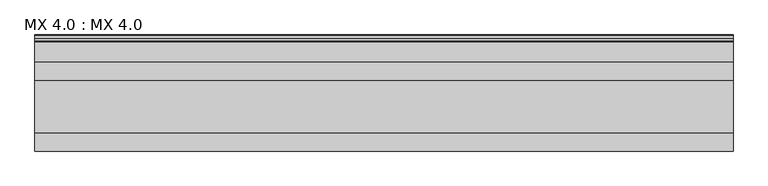
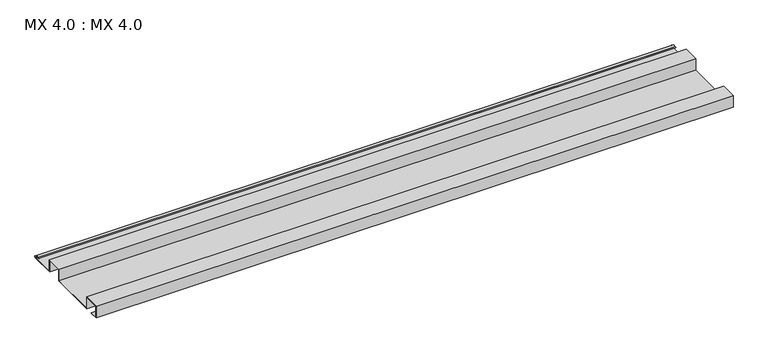
"""IFC4 building model written with IfcOpenShell, lengths in millimetres: proxy geometry, MX 4.0 : MX 4.0."""

from ifc_helpers import new_model, si_unit, point, frame, frame_2d, origin, place, context, project, spatial, polyline, circle_curve, trimmed, segment, composite_curve, outline, extrude, source, transform, mapped, element, save


def mx_4_0_mx_4_0_b8d2e00d(model_context):
    return source(origin(), model_context, "Body", "SweptSolid", [
        extrude(outline(composite_curve([segment(polyline([(0.0, 0.0), (0.0, 38.0), (50.0, 38.0), (50.0, 0.0), (200.0, 0.0), (200.0, 38.0), (250.0, 38.0), (250.0, 0.0), (325.0510156, 0.0)]), True, "CONTINUOUS"), segment(trimmed(circle_curve(frame_2d((324.3094696, 1.9153551)), 2.0538928), [point((325.0510156, 0.0))], [point((325.1748462, 3.778041))], True, "CARTESIAN"), True, "CONTINUOUS"), segment(polyline([(325.1748462, 3.778041), (308.7874714, 6.923107)]), True, "CONTINUOUS"), segment(trimmed(circle_curve(frame_2d((309.4078886, 8.6005442)), 1.7884947), [point((308.7874714, 6.923107))], [point((308.9525789, 10.3301125))], False, "CARTESIAN"), True, "CONTINUOUS"), segment(polyline([(308.9525789, 10.3301125), (316.459338, 11.6715995), (316.635255, 10.6871945), (309.1762081, 9.3542338)]), True, "CONTINUOUS"), segment(trimmed(circle_curve(frame_2d((309.4078886, 8.6005442)), 0.7884947), [point((309.1762081, 9.3542338))], [point((309.0735117, 7.8864603))], True, "CARTESIAN"), True, "CONTINUOUS"), segment(polyline([(309.0735117, 7.8864603), (325.4722719, 4.7392091)]), True, "CONTINUOUS"), segment(trimmed(circle_curve(frame_2d((324.3094696, 1.9153551)), 3.0538928), [point((325.4722719, 4.7392091))], [point((325.2188462, -1.0))], False, "CARTESIAN"), True, "CONTINUOUS"), segment(polyline([(325.2188462, -1.0), (249.0, -1.0), (249.0, 37.0), (201.0, 37.0), (201.0, -1.0), (49.0, -1.0), (49.0, 37.0), (1.0, 37.0), (1.0, 1.0), (25.0, 1.0), (25.0, 0.0), (0.0, 0.0)]), True, "CONTINUOUS")], self_intersect=False)), frame((0.0, 0.0, 0.0), z_axis=(1.0, 0.0, 0.0), x_axis=(0.0, 1.0, 0.0)), (0.0, 0.0, 1.0), 1968.5604387),
    ])


if __name__ == "__main__":
    model = new_model("IFC4")
    model_context = context("Model", 3, world=origin())
    ifc_project = project(units=[si_unit("LENGTHUNIT", "METRE", prefix="MILLI")], contexts=[model_context])
    site = spatial("IfcSite", under=ifc_project)
    building = spatial("IfcBuilding", under=site)
    placement = place(None, origin())
    mx_4_0_mx_4_0_shape = mx_4_0_mx_4_0_b8d2e00d(model_context)
    element("IfcBuildingElementProxy", 1, Name="MX 4.0 : MX 4.0", ObjectType="MX 4.0 : MX 4.0", at=placement, inside=building, context=model_context, shape_type="MappedRepresentation", body=[
        mapped(mx_4_0_mx_4_0_shape, transform((0.0, 0.0, 0.0), x_axis=(1.0, 0.0, 0.0), y_axis=(0.0, 1.0, 0.0), z_axis=(0.0, 0.0, 1.0))),
    ])
    save(model, "model.ifc")
